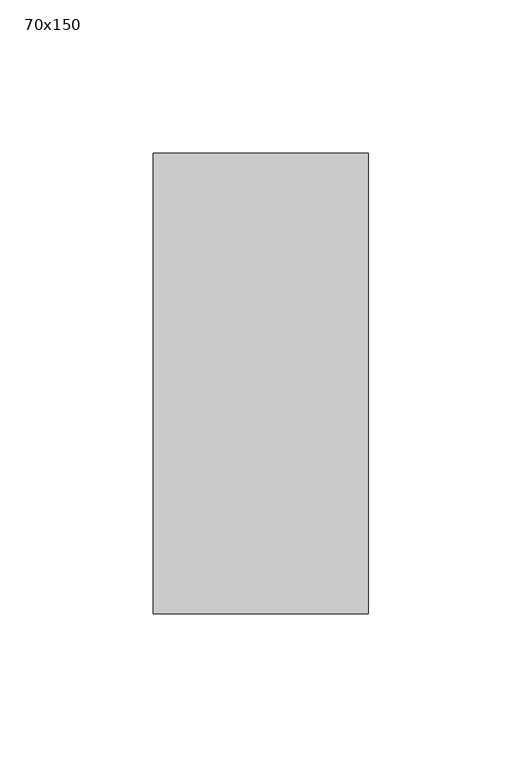
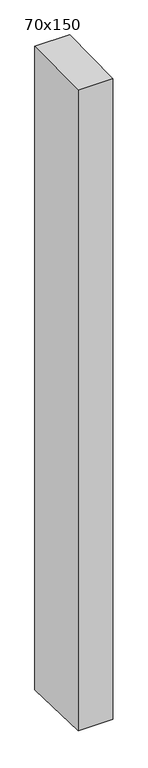
"""IFC4 building model written with IfcOpenShell, lengths in millimetres: member geometry, 70x150."""

from ifc_helpers import new_model, si_unit, frame, origin, place, context, project, spatial, polyline, outline, extrude, source, transform, mapped, element, save


def member_70x150_2d1a527b(model_context):
    return source(origin(), model_context, "Body", "SweptSolid", [
        extrude(outline(polyline([(-75.0, -1.1332028), (75.0, 1.1332028), (75.0, -1366.1593), (-75.0, -1362.6423093), (-75.0, -1.1332028)])), frame((-70.0, 0.0, 0.0), z_axis=(1.0, 0.0, 0.0), x_axis=(0.0, 1.0, 0.0)), (0.0, 0.0, 1.0), 70.0),
    ])


if __name__ == "__main__":
    model = new_model("IFC4")
    model_context = context("Model", 3, world=origin())
    ifc_project = project(units=[si_unit("LENGTHUNIT", "METRE", prefix="MILLI")], contexts=[model_context])
    site = spatial("IfcSite", under=ifc_project)
    building = spatial("IfcBuilding", under=site)
    placement = place(None, origin())
    member_70x150_shape = member_70x150_2d1a527b(model_context)
    element("IfcMember", 1, ObjectType="70x150", at=placement, inside=building, context=model_context, shape_type="MappedRepresentation", body=[
        mapped(member_70x150_shape, transform((0.0, 0.0, 0.0), x_axis=(1.0, 0.0, 0.0), y_axis=(0.0, 1.0, 0.0), z_axis=(0.0, 0.0, 1.0))),
    ])
    save(model, "model.ifc")
